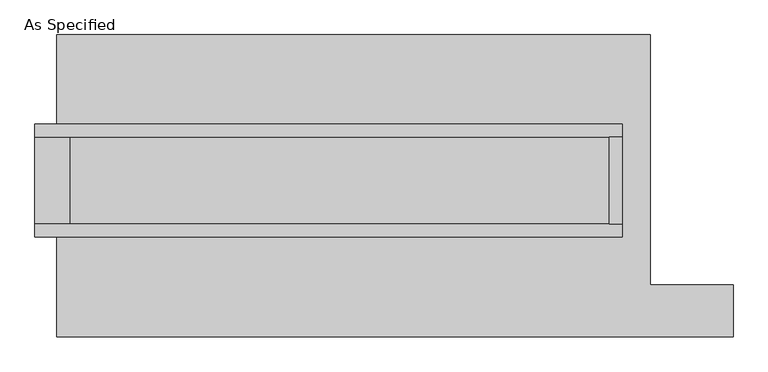
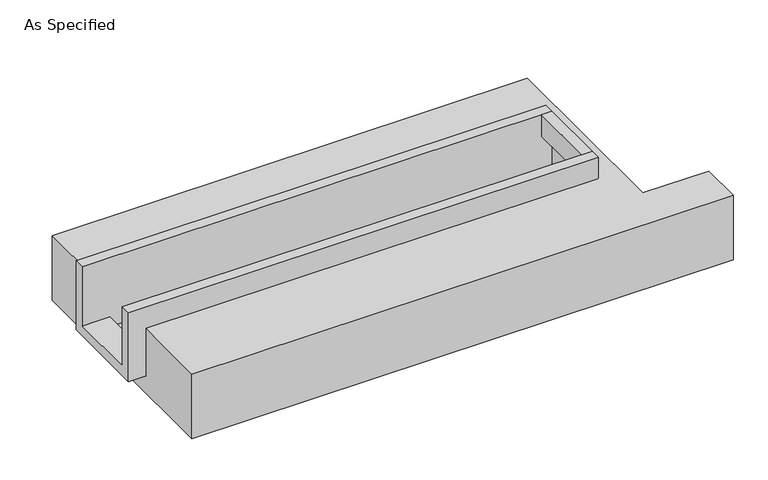
"""IFC4 building model written with IfcOpenShell, lengths in millimetres: proxy geometry, As Specified."""

from ifc_helpers import new_model, si_unit, frame, origin, place, context, project, spatial, polyline, outline, extrude, faceted_brep, source, transform, mapped, element, save


def as_specified_bed13331(model_context):
    return source(origin(), model_context, "Body", "SolidModel", [
        extrude(outline(polyline([(1492.25, 285.75), (1568.45, 285.75), (1568.45, -222.25), (1492.25, -222.25), (1492.25, 285.75)])), frame((0.0, 0.0, -25.4), z_axis=(0.0, 0.0, 1.0), x_axis=(1.0, 0.0, 0.0)), (0.0, 0.0, 1.0), 165.1),
        faceted_brep([(1568.45, 285.75, 139.7), (1568.45, 285.75, -317.5), (1568.45, -222.25, -317.5), (1568.45, -222.25, 139.7), (1568.45, -298.45, 139.7), (1568.45, -298.45, -393.7), (1568.45, 361.95, -393.7), (1568.45, 361.95, 139.7), (-1860.55, 285.75, 139.7), (-1860.55, 361.95, 139.7), (-1860.55, 361.95, -393.7), (-1860.55, -298.45, -393.7), (-1860.55, -298.45, 139.7), (-1860.55, -222.25, 139.7), (-1860.55, -222.25, -317.5), (-1860.55, 285.75, -317.5), (-1657.35, 285.75, -393.7), (-1657.35, -222.25, -393.7), (1492.25, -222.25, -393.7), (1492.25, 285.75, -393.7), (1492.25, -222.25, -317.5), (-1657.35, -222.25, -317.5), (1492.25, 285.75, -317.5), (-1657.35, 285.75, -317.5)], [[[0, 1, 2, 3, 4, 5, 6, 7]], [[8, 9, 10, 11, 12, 13, 14, 15]], [[0, 7, 9, 8]], [[7, 6, 10, 9]], [[6, 5, 11, 10], [16, 17, 18, 19]], [[4, 3, 13, 12]], [[3, 2, 20, 18, 17, 21, 14, 13]], [[2, 1, 22, 20]], [[15, 14, 21, 23]], [[1, 0, 8, 15, 23, 16, 19, 22]], [[21, 17, 16, 23]], [[18, 20, 22, 19]], [[5, 4, 12, 11]]]),
        faceted_brep([(-1733.55, 882.65, -523.9742188), (1733.55, 882.65, -523.9742188), (1733.55, -577.85, -523.9742188), (2216.15, -577.85, -523.9742188), (2216.15, -882.65, -523.9742188), (-1733.55, -882.65, -523.9742188), (1733.55, 882.65, -25.4), (-1733.55, 882.65, -25.4), (-1733.55, 361.95, -25.4), (1568.45, 361.95, -25.4), (1568.45, -298.45, -25.4), (-1733.55, -298.45, -25.4), (-1733.55, -882.65, -25.4), (2216.15, -882.65, -25.4), (2216.15, -577.85, -25.4), (1733.55, -577.85, -25.4), (-1733.55, -298.45, -393.7), (-1733.55, 361.95, -393.7), (1568.45, 361.95, -393.7), (1568.45, -298.45, -393.7)], [[[0, 1, 2, 3, 4, 5]], [[6, 7, 8, 9, 10, 11, 12, 13, 14, 15]], [[1, 0, 7, 6]], [[7, 0, 5, 12, 11, 16, 17, 8]], [[1, 6, 15, 2]], [[5, 4, 13, 12]], [[18, 19, 10, 9]], [[17, 18, 9, 8]], [[19, 18, 17, 16]], [[19, 16, 11, 10]], [[4, 3, 14, 13]], [[3, 2, 15, 14]]]),
    ])


if __name__ == "__main__":
    model = new_model("IFC4")
    model_context = context("Model", 3, world=origin())
    ifc_project = project(units=[si_unit("LENGTHUNIT", "METRE", prefix="MILLI")], contexts=[model_context])
    site = spatial("IfcSite", under=ifc_project)
    building = spatial("IfcBuilding", under=site)
    placement = place(None, origin())
    as_specified_shape = as_specified_bed13331(model_context)
    element("IfcBuildingElementProxy", 1, Name="As Specified", ObjectType="As Specified", at=placement, inside=building, context=model_context, shape_type="MappedRepresentation", body=[
        mapped(as_specified_shape, transform((0.0, 0.0, 0.0), x_axis=(1.0, 0.0, 0.0), y_axis=(0.0, 1.0, 0.0), z_axis=(0.0, 0.0, 1.0))),
    ])
    save(model, "model.ifc")
